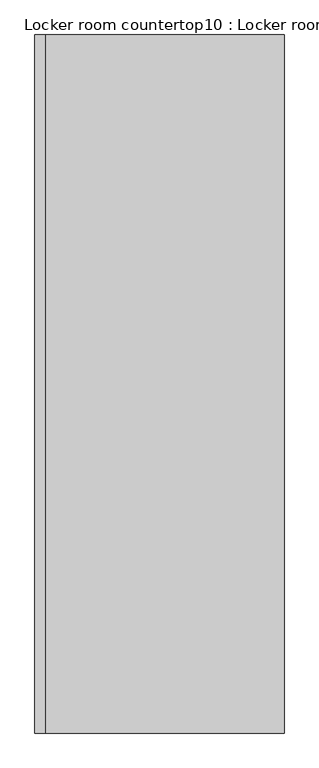
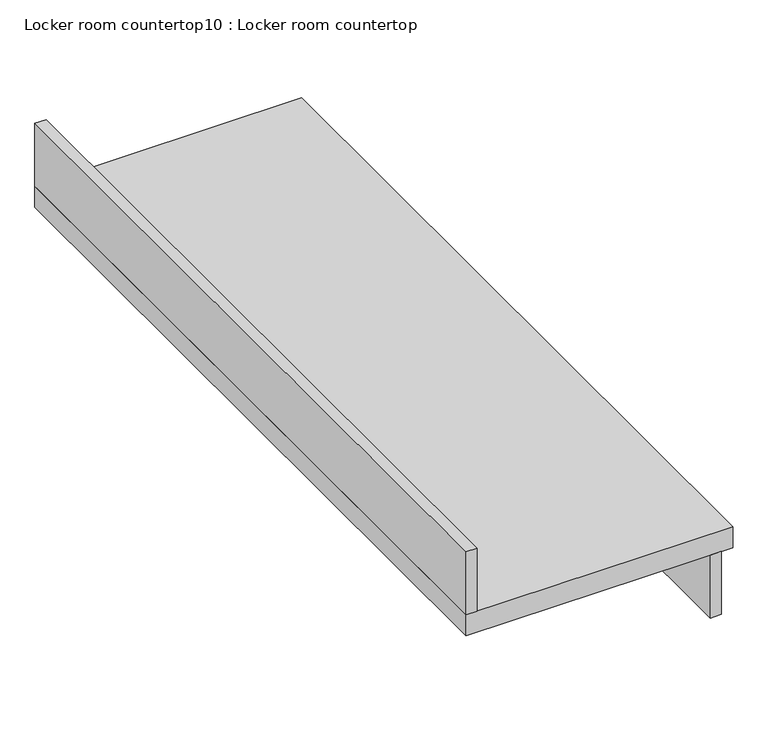
"""IFC4 building model written with IfcOpenShell, lengths in millimetres: furniture geometry, Locker room countertop10 : Locker room countertop."""

from ifc_helpers import new_model, si_unit, frame, origin, place, context, project, spatial, polyline, outline, extrude, source, transform, mapped, element, save


def locker_room_countertop10_locker_room_countertop_075a2f2e(model_context):
    return source(origin(), model_context, "Body", "SweptSolid", [
        extrude(outline(polyline([(427997.6791739, -125967.5202671), (427972.2791739, -125967.5202671), (427972.2791739, -124259.3702671), (427997.6791739, -124259.3702671), (427997.6791739, -125967.5202671)])), frame((0.0, 0.0, 660.4), z_axis=(0.0, 0.0, 1.0), x_axis=(1.0, 0.0, 0.0)), (0.0, 0.0, 1.0), 152.4),
        extrude(outline(polyline([(427438.8791739, -124259.3702671), (427438.8791739, -125967.5202671), (427413.4791739, -125967.5202671), (427413.4791739, -124259.3702671), (427438.8791739, -124259.3702671)])), frame((0.0, 0.0, 863.6), z_axis=(0.0, 0.0, 1.0), x_axis=(1.0, 0.0, 0.0)), (0.0, 0.0, 1.0), 152.4),
        extrude(outline(polyline([(428023.0791739, -124259.3702671), (428023.0791739, -125967.5202671), (427413.4791739, -125967.5202671), (427413.4791739, -124259.3702671), (428023.0791739, -124259.3702671)])), frame((0.0, 0.0, 812.8), z_axis=(0.0, 0.0, 1.0), x_axis=(1.0, 0.0, 0.0)), (0.0, 0.0, 1.0), 50.8),
    ])


if __name__ == "__main__":
    model = new_model("IFC4")
    model_context = context("Model", 3, world=origin())
    ifc_project = project(units=[si_unit("LENGTHUNIT", "METRE", prefix="MILLI")], contexts=[model_context])
    site = spatial("IfcSite", under=ifc_project)
    building = spatial("IfcBuilding", under=site)
    placement = place(None, origin())
    locker_room_countertop10_locker_room_countertop_shape = locker_room_countertop10_locker_room_countertop_075a2f2e(model_context)
    element("IfcFurniture", 1, ObjectType="Locker room countertop10 : Locker room countertop", at=placement, inside=building, context=model_context, shape_type="MappedRepresentation", body=[
        mapped(locker_room_countertop10_locker_room_countertop_shape, transform((0.0, 0.0, 0.0), x_axis=(1.0, 0.0, 0.0), y_axis=(0.0, 1.0, 0.0), z_axis=(0.0, 0.0, 1.0))),
    ])
    save(model, "model.ifc")
